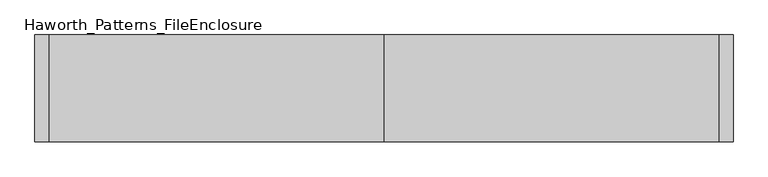
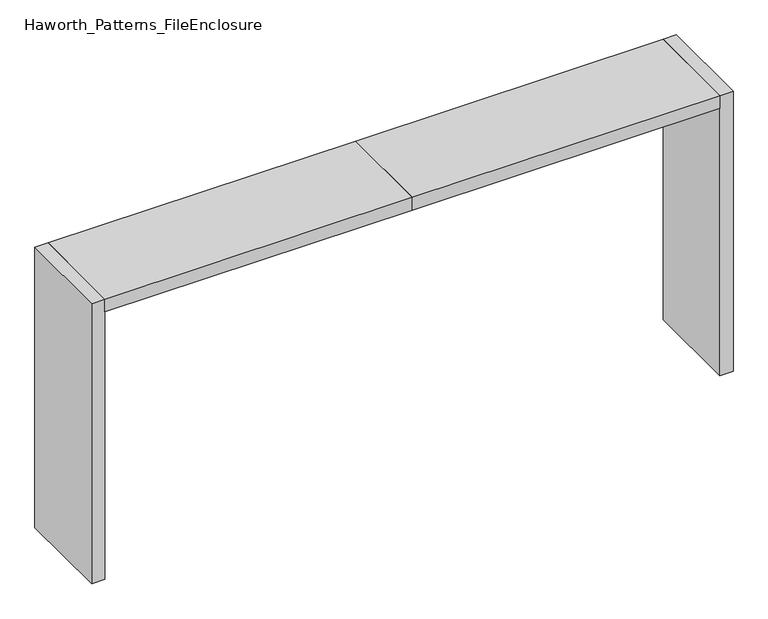
"""IFC4 building model written with IfcOpenShell, lengths in millimetres: furniture geometry, Haworth_Patterns_FileEnclosure."""

from ifc_helpers import new_model, si_unit, frame, origin, origin_with_axes, place, context, project, spatial, polyline, outline, extrude, source, transform, mapped, element, save


def haworth_patterns_fileenclosure_d854bc2c(model_context):
    return source(origin(), model_context, "Body", "SweptSolid", [
        extrude(outline(polyline([(0.0, 0.0), (1752.6, 0.0), (1752.6, -558.8), (0.0, -558.8), (0.0, 0.0)])), frame((0.0, 0.0, 1612.9), z_axis=(0.0, 0.0, 1.0), x_axis=(1.0, 0.0, 0.0)), (0.0, 0.0, 1.0), 76.2),
        extrude(outline(polyline([(0.0, 0.0), (0.0, -558.8), (-1752.6, -558.8), (-1752.6, 0.0), (0.0, 0.0)])), frame((0.0, 0.0, 1612.9), z_axis=(0.0, 0.0, 1.0), x_axis=(1.0, 0.0, 0.0)), (0.0, 0.0, 1.0), 76.2),
        extrude(outline(polyline([(1752.6, 0.0), (1828.8, 0.0), (1828.8, -558.8), (1752.6, -558.8), (1752.6, 0.0)])), origin_with_axes(), (0.0, 0.0, 1.0), 1689.1),
        extrude(outline(polyline([(-1752.6, 0.0), (-1752.6, -558.8), (-1828.8, -558.8), (-1828.8, 0.0), (-1752.6, 0.0)])), origin_with_axes(), (0.0, 0.0, 1.0), 1689.1),
    ])


if __name__ == "__main__":
    model = new_model("IFC4")
    model_context = context("Model", 3, world=origin())
    ifc_project = project(units=[si_unit("LENGTHUNIT", "METRE", prefix="MILLI")], contexts=[model_context])
    site = spatial("IfcSite", under=ifc_project)
    building = spatial("IfcBuilding", under=site)
    placement = place(None, origin())
    haworth_patterns_fileenclosure_shape = haworth_patterns_fileenclosure_d854bc2c(model_context)
    element("IfcFurniture", 1, ObjectType="Haworth_Patterns_FileEnclosure", at=placement, inside=building, context=model_context, shape_type="MappedRepresentation", body=[
        mapped(haworth_patterns_fileenclosure_shape, transform((0.0, 0.0, 0.0), x_axis=(1.0, 0.0, 0.0), y_axis=(0.0, 1.0, 0.0), z_axis=(0.0, 0.0, 1.0))),
    ])
    save(model, "model.ifc")
